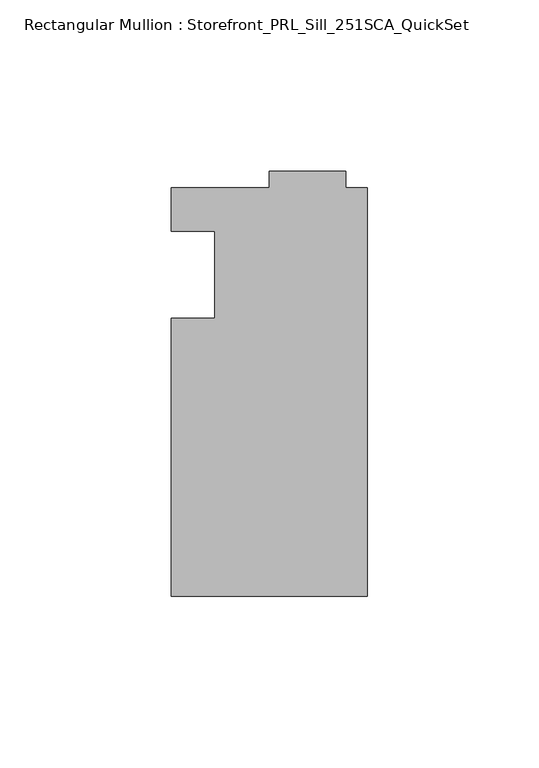
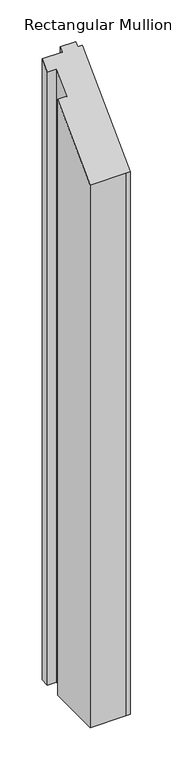
"""IFC4 building model written with IfcOpenShell, lengths in millimetres: member geometry, Rectangular Mullion : Storefront_PRL_Sill_251SCA_QuickSet."""

from ifc_helpers import new_model, si_unit, origin, place, context, project, spatial, faceted_brep, source, transform, mapped, element, save


def rectangular_mullion_storefront_prl_sill_251sca_quickset_a724406a(model_context):
    return source(origin(), model_context, "Body", "Brep", [
        faceted_brep([(-44.45, -12.7, -914.4), (-44.45, 12.7, -914.4), (-57.15, 12.7, -914.4), (-57.15, 25.4, -914.4), (-28.575, 25.4, -914.4), (-28.575, 30.1625, -914.4), (-6.35, 30.1625, -914.4), (-6.35, 25.4, -914.4), (0.0, 25.4, -914.4), (0.0, -93.6625, -914.4), (-6.35, -93.6625, -914.4), (-57.15, -93.6625, -914.4), (-57.15, -12.7, -914.4), (-57.15, -12.7, -12.7), (-44.45, -12.7, -12.7), (-57.15, -93.6625, -93.6625), (-6.35, -93.6625, -93.6625), (0.0, -93.6625, -93.6625), (0.0, 25.4, 25.4), (-6.35, 25.4, 25.4), (-6.35, 30.1625, 30.1625), (-28.575, 30.1625, 30.1625), (-28.575, 25.4, 25.4), (-57.15, 25.4, 25.4), (-57.15, 12.7, 12.7), (-44.45, 12.7, 12.7)], [[[0, 1, 2, 3, 4, 5, 6, 7, 8, 9, 10, 11, 12]], [[13, 14, 0, 12]], [[15, 13, 12, 11]], [[16, 15, 11, 10]], [[17, 16, 10, 9]], [[18, 17, 9, 8]], [[19, 18, 8, 7]], [[20, 19, 7, 6]], [[21, 20, 6, 5]], [[22, 21, 5, 4]], [[23, 22, 4, 3]], [[24, 23, 3, 2]], [[25, 24, 2, 1]], [[14, 25, 1, 0]], [[14, 13, 15, 16, 17, 18, 19, 20, 21, 22, 23, 24, 25]]]),
    ])


if __name__ == "__main__":
    model = new_model("IFC4")
    model_context = context("Model", 3, world=origin())
    ifc_project = project(units=[si_unit("LENGTHUNIT", "METRE", prefix="MILLI")], contexts=[model_context])
    site = spatial("IfcSite", under=ifc_project)
    building = spatial("IfcBuilding", under=site)
    placement = place(None, origin())
    rectangular_mullion_storefront_prl_sill_251sca_quickset_shape = rectangular_mullion_storefront_prl_sill_251sca_quickset_a724406a(model_context)
    element("IfcMember", 1, ObjectType="Rectangular Mullion : Storefront_PRL_Sill_251SCA_QuickSet", at=placement, inside=building, context=model_context, shape_type="MappedRepresentation", body=[
        mapped(rectangular_mullion_storefront_prl_sill_251sca_quickset_shape, transform((0.0, 0.0, 0.0), x_axis=(1.0, 0.0, 0.0), y_axis=(0.0, 1.0, 0.0), z_axis=(0.0, 0.0, 1.0))),
    ])
    save(model, "model.ifc")
